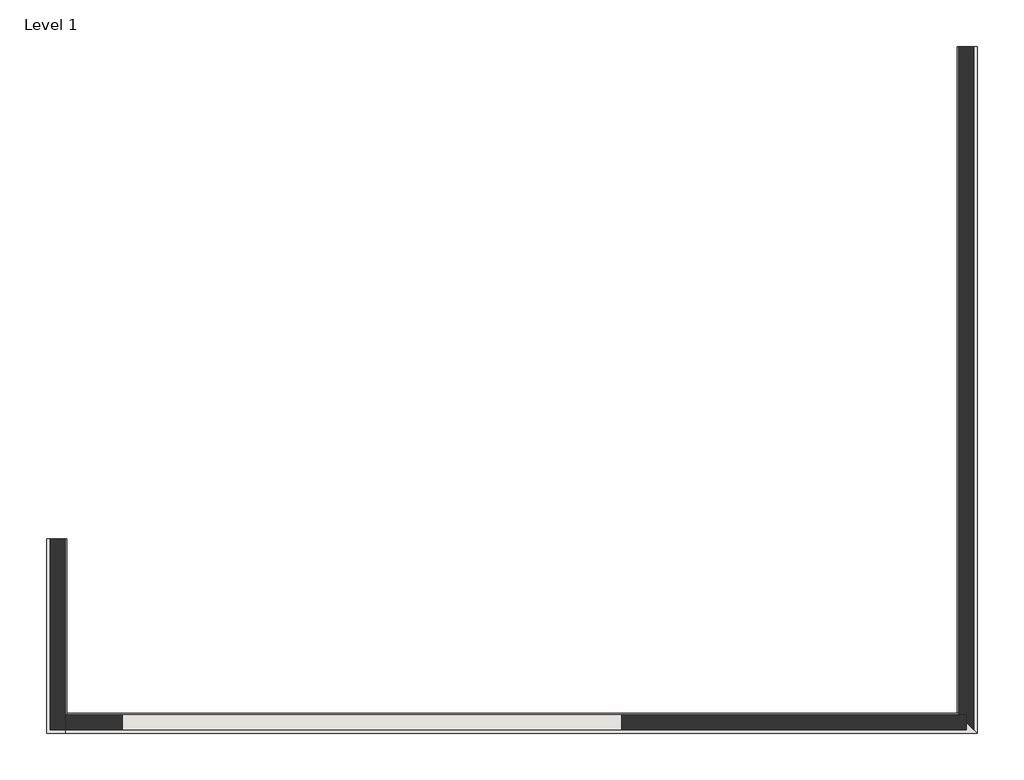
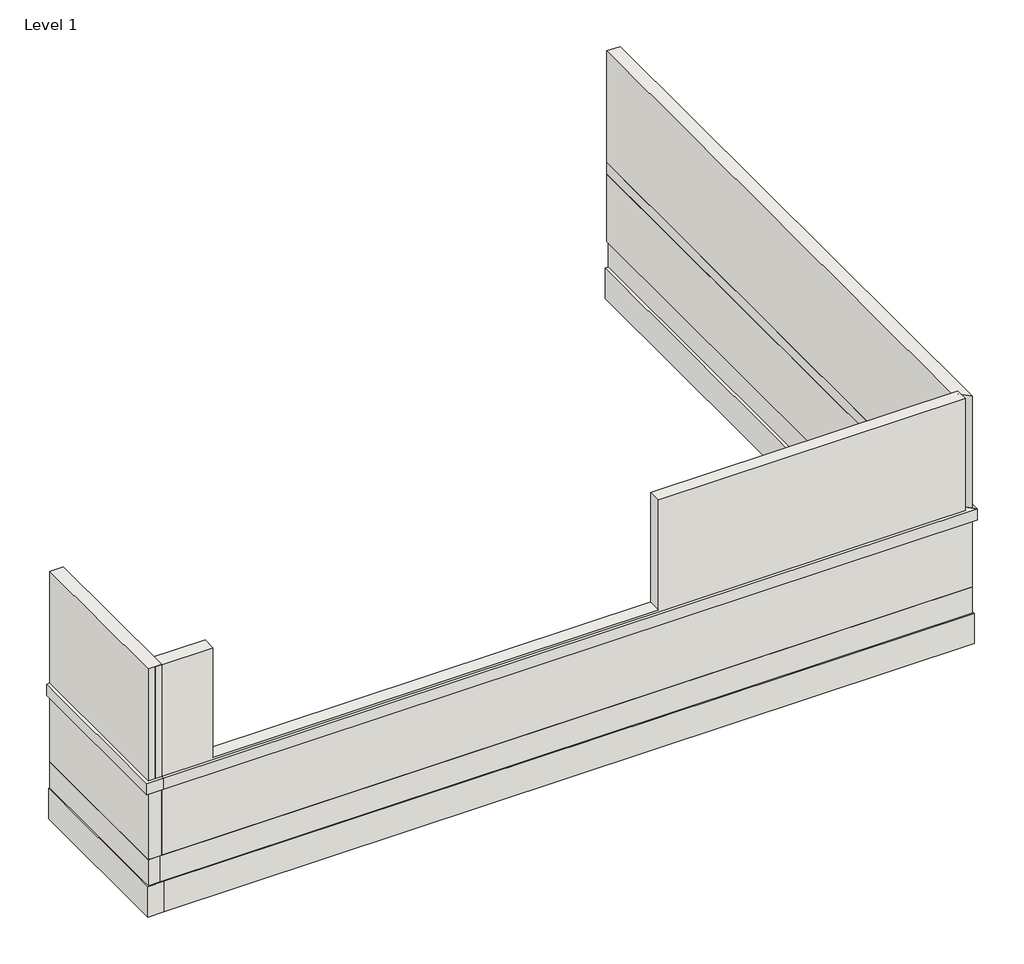
# One storey: 15 walls.
"""IFC4 building model written with IfcOpenShell, lengths in millimetres."""

from ifc_helpers import new_model, si_unit, frame, origin, place, context, project, spatial, polyline, outline, extrude, faceted_brep, element, save

model = new_model("IFC4")

# Units and contexts
model_context = context("Model", 3, world=origin())
ifc_project = project(units=[si_unit("LENGTHUNIT", "METRE", prefix="MILLI")], contexts=[model_context])

# Site, building, storey
site = spatial("IfcSite", under=ifc_project)
building = spatial("IfcBuilding", under=site)
storey = spatial("IfcBuildingStorey", under=building, Name="Level 1", Elevation=0.0)

# Walls
placement = place(None, origin())
element("IfcWall", 1, at=placement, inside=storey, context=model_context, shape_type="Brep", body=[
    faceted_brep([(1463.030888, 3031.4028314, 0.0), (1463.030888, 3156.4028314, 0.0), (1463.030888, 4631.4028314, 0.0), (1463.030888, 4631.4028314, 670.0), (1463.030888, 3156.4028314, 670.0), (1463.030888, 3031.4028314, 670.0), (1338.030888, 3031.4028314, 0.0), (1338.030888, 3031.4028314, 670.0), (1338.030888, 4631.4028314, 670.0), (1338.030888, 4631.4028314, 0.0), (1448.030888, 3031.4028314, 0.0), (1448.030888, 4631.4028314, 0.0)], [[[0, 1, 2, 3, 4, 5]], [[6, 7, 8, 9]], [[2, 1, 0, 10, 6, 9, 11]], [[3, 2, 11, 9, 8]], [[5, 4, 3, 8, 7]], [[0, 5, 7, 6, 10]]]),
])
element("IfcWall", 2, at=placement, inside=storey, context=model_context, shape_type="Brep", body=[
    faceted_brep([(1463.030888, 3001.4028314, 670.0), (1463.030888, 3031.4028314, 670.0), (1463.030888, 3156.4028314, 670.0), (1463.030888, 4631.4028314, 670.0), (1463.030888, 4631.4028314, 780.0), (1463.030888, 3156.4028314, 780.0), (1463.030888, 3031.4028314, 780.0), (1463.030888, 3001.4028314, 780.0), (1308.030888, 3001.4028314, 670.0), (1308.030888, 3001.4028314, 780.0), (1308.030888, 4631.4028314, 780.0), (1308.030888, 4631.4028314, 670.0), (1338.030888, 4631.4028314, 670.0), (1338.030888, 4631.4028314, 780.0)], [[[0, 1, 2, 3, 4, 5, 6, 7]], [[8, 9, 10, 11]], [[3, 2, 1, 0, 8, 11, 12]], [[4, 3, 12, 11, 10, 13]], [[7, 6, 5, 4, 13, 10, 9]], [[0, 7, 9, 8]]]),
])
element("IfcWall", 3, at=placement, inside=storey, context=model_context, shape_type="SweptSolid", body=[
    extrude(outline(polyline([(1463.030888, 4631.4028314), (1463.030888, 3031.4028314), (1338.030888, 3031.4028314), (1338.030888, 4631.4028314), (1463.030888, 4631.4028314)])), frame((0.0, 0.0, 780.0), z_axis=(0.0, 0.0, 1.0), x_axis=(1.0, 0.0, 0.0)), (0.0, 0.0, 1.0), 1110.0),
])
element("IfcWall", 4, at=placement, inside=storey, context=model_context, shape_type="Brep", body=[
    faceted_brep([(1448.030888, 3031.4028314, -260.0), (1448.030888, 3141.4028314, -260.0), (1448.030888, 4631.4028314, -260.0), (1448.030888, 4631.4028314, 0.0), (1448.030888, 3141.4028314, 0.0), (1448.030888, 3031.4028314, 0.0), (1338.030888, 3031.4028314, -260.0), (1338.030888, 3031.4028314, 0.0), (1338.030888, 4631.4028314, 0.0), (1338.030888, 4631.4028314, -260.0)], [[[0, 1, 2, 3, 4, 5]], [[6, 7, 8, 9]], [[2, 1, 0, 6, 9]], [[3, 2, 9, 8]], [[5, 4, 3, 8, 7]], [[0, 5, 7, 6]]]),
])
element("IfcWall", 5, at=placement, inside=storey, context=model_context, shape_type="Brep", body=[
    faceted_brep([(8955.8684012, 8751.9904604, -260.0), (8955.8684012, 3141.4028314, -260.0), (8955.8684012, 3141.4028314, 0.0), (8955.8684012, 8751.9904604, 0.0), (9065.8684012, 8751.9904604, -260.0), (9065.8684012, 8751.9904604, 0.0), (9065.8684012, 3156.4028314, 0.0), (9065.8684012, 3141.4028314, 0.0), (9065.8684012, 3141.4028314, -260.0)], [[[0, 1, 2, 3]], [[4, 5, 6, 7, 8]], [[1, 0, 4, 8]], [[3, 2, 7, 6, 5]], [[0, 3, 5, 4]], [[2, 1, 8, 7]]]),
])
element("IfcWall", 6, at=placement, inside=storey, context=model_context, shape_type="Brep", body=[
    faceted_brep([(8940.8684012, 8751.9904604, 0.0), (8940.8684012, 3156.4028314, 0.0), (8940.8684012, 3156.4028314, 670.0), (8940.8684012, 8751.9904604, 670.0), (9065.8684012, 8751.9904604, 0.0), (9065.8684012, 8751.9904604, 670.0), (9065.8684012, 3156.4028314, 670.0), (9065.8684012, 3156.4028314, 0.0), (8955.8684012, 8751.9904604, 0.0)], [[[0, 1, 2, 3]], [[4, 5, 6, 7]], [[1, 0, 8, 4, 7]], [[3, 2, 6, 5]], [[0, 3, 5, 4, 8]], [[2, 1, 7, 6]]]),
])
element("IfcWall", 7, at=placement, inside=storey, context=model_context, shape_type="Brep", body=[
    faceted_brep([(8940.8684012, 8751.9904604, 670.0), (8940.8684012, 3156.4028314, 670.0), (8940.8684012, 3156.4028314, 780.0), (8940.8684012, 8751.9904604, 780.0), (9095.8684012, 8751.9904604, 670.0), (9095.8684012, 8751.9904604, 780.0), (9095.8684012, 3001.4028314, 780.0), (9095.8684012, 3001.4028314, 670.0), (9065.8684012, 8751.9904604, 670.0), (9065.8684012, 3031.4028314, 780.0), (9065.8684012, 8751.9904604, 780.0)], [[[0, 1, 2, 3]], [[4, 5, 6, 7]], [[1, 0, 8, 4, 7]], [[3, 2, 9, 6, 5, 10]], [[0, 3, 10, 5, 4, 8]], [[2, 1, 7, 6, 9]]]),
])
element("IfcWall", 8, at=placement, inside=storey, context=model_context, shape_type="SweptSolid", body=[
    extrude(outline(polyline([(8940.8684012, 3156.4028314), (8940.8684012, 8751.9904604), (9065.8684012, 8751.9904604), (9065.8684012, 3031.4028314), (8940.8684012, 3156.4028314)])), frame((0.0, 0.0, 780.0), z_axis=(0.0, 0.0, 1.0), x_axis=(1.0, 0.0, 0.0)), (0.0, 0.0, 1.0), 1110.0),
])
element("IfcWall", 9, at=placement, inside=storey, context=model_context, shape_type="Brep", body=[
    faceted_brep([(1448.030888, 3031.4028314, -260.0), (9065.8684012, 3031.4028314, -260.0), (9065.8684012, 3031.4028314, 0.0), (1463.030888, 3031.4028314, 0.0), (1448.030888, 3031.4028314, 0.0), (1448.030888, 3141.4028314, -260.0), (1448.030888, 3141.4028314, 0.0), (8955.8684012, 3141.4028314, 0.0), (9065.8684012, 3141.4028314, 0.0), (9065.8684012, 3141.4028314, -260.0), (8955.8684012, 3141.4028314, -260.0)], [[[0, 1, 2, 3, 4]], [[5, 6, 7, 8, 9, 10]], [[1, 0, 5, 10, 9]], [[4, 3, 2, 8, 7, 6]], [[2, 1, 9, 8]], [[0, 4, 6, 5]]]),
])
element("IfcWall", 10, at=placement, inside=storey, context=model_context, shape_type="Brep", body=[
    faceted_brep([(1463.030888, 3031.4028314, 0.0), (9065.8684012, 3031.4028314, 0.0), (9065.8684012, 3031.4028314, 670.0), (1463.030888, 3031.4028314, 670.0), (1463.030888, 3156.4028314, 0.0), (1463.030888, 3156.4028314, 670.0), (8940.8684012, 3156.4028314, 670.0), (9065.8684012, 3156.4028314, 670.0), (9065.8684012, 3156.4028314, 0.0), (8940.8684012, 3156.4028314, 0.0), (9065.8684012, 3141.4028314, 0.0)], [[[0, 1, 2, 3]], [[4, 5, 6, 7, 8, 9]], [[1, 0, 4, 9, 8, 10]], [[3, 2, 7, 6, 5]], [[2, 1, 10, 8, 7]], [[0, 3, 5, 4]]]),
])
element("IfcWall", 11, at=placement, inside=storey, context=model_context, shape_type="Brep", body=[
    faceted_brep([(1463.030888, 3001.4028314, 670.0), (9095.8684012, 3001.4028314, 670.0), (9095.8684012, 3001.4028314, 780.0), (1463.030888, 3001.4028314, 780.0), (1463.030888, 3156.4028314, 670.0), (1463.030888, 3156.4028314, 780.0), (8940.8684012, 3156.4028314, 780.0), (8940.8684012, 3156.4028314, 670.0), (1463.030888, 3031.4028314, 670.0)], [[[0, 1, 2, 3]], [[4, 5, 6, 7]], [[1, 0, 8, 4, 7]], [[3, 2, 6, 5]], [[0, 3, 5, 4, 8]], [[2, 1, 7, 6]]]),
])
element("IfcWall", 12, at=placement, inside=storey, context=model_context, shape_type="Brep", body=[
    faceted_brep([(1403.030888, 3031.4028314, 780.0), (9000.8684012, 3031.4028314, 780.0), (9000.8684012, 3031.4028314, 1890.0), (6120.8684012, 3031.4028314, 1890.0), (6120.8684012, 3031.4028314, 803.5951876), (1943.030888, 3031.4028314, 803.5951876), (1943.030888, 3031.4028314, 1890.0), (1403.030888, 3031.4028314, 1890.0), (6120.8684012, 3156.4028314, 1890.0), (9000.8684012, 3156.4028314, 1890.0), (9000.8684012, 3156.4028314, 780.0), (8940.8684012, 3156.4028314, 780.0), (1463.030888, 3156.4028314, 780.0), (1403.030888, 3156.4028314, 780.0), (1403.030888, 3156.4028314, 1890.0), (1943.030888, 3156.4028314, 1890.0), (1943.030888, 3156.4028314, 803.5951876), (6120.8684012, 3156.4028314, 803.5951876)], [[[0, 1, 2, 3, 4, 5, 6, 7]], [[8, 9, 10, 11, 12, 13, 14, 15, 16, 17]], [[1, 0, 13, 12, 11, 10]], [[3, 2, 9, 8]], [[7, 6, 15, 14]], [[2, 1, 10, 9]], [[17, 4, 3, 8]], [[4, 17, 16, 5]], [[5, 16, 15, 6]], [[0, 7, 14, 13]]]),
])
element("IfcWall", 13, ObjectType="Foundation - 150mm Concrete", at=placement, inside=storey, context=model_context, shape_type="Brep", body=[
    faceted_brep([(1478.030888, 3021.4028314, -560.0), (1478.030888, 3171.4028314, -560.0), (1478.030888, 4631.4028314, -560.0), (1478.030888, 4631.4028314, -260.0), (1478.030888, 3171.4028314, -260.0), (1478.030888, 3021.4028314, -260.0), (1328.030888, 3021.4028314, -560.0), (1328.030888, 3021.4028314, -260.0), (1328.030888, 4631.4028314, -260.0), (1328.030888, 4631.4028314, -560.0), (1338.030888, 4631.4028314, -260.0), (1448.030888, 4631.4028314, -260.0)], [[[0, 1, 2, 3, 4, 5]], [[6, 7, 8, 9]], [[2, 1, 0, 6, 9]], [[3, 2, 9, 8, 10, 11]], [[5, 4, 3, 11, 10, 8, 7]], [[0, 5, 7, 6]]]),
])
element("IfcWall", 14, ObjectType="Foundation - 150mm Concrete", at=placement, inside=storey, context=model_context, shape_type="Brep", body=[
    faceted_brep([(8925.8684012, 8751.9904604, -560.0), (8925.8684012, 3171.4028314, -560.0), (8925.8684012, 3171.4028314, -260.0), (8925.8684012, 8751.9904604, -260.0), (9075.8684012, 8751.9904604, -560.0), (9075.8684012, 8751.9904604, -260.0), (9075.8684012, 3171.4028314, -260.0), (9075.8684012, 3171.4028314, -560.0), (9065.8684012, 8751.9904604, -260.0), (8955.8684012, 8751.9904604, -260.0)], [[[0, 1, 2, 3]], [[4, 5, 6, 7]], [[1, 0, 4, 7]], [[3, 2, 6, 5, 8, 9]], [[0, 3, 9, 8, 5, 4]], [[2, 1, 7, 6]]]),
])
element("IfcWall", 15, ObjectType="Foundation - 150mm Concrete", at=placement, inside=storey, context=model_context, shape_type="Brep", body=[
    faceted_brep([(1478.030888, 3021.4028314, -560.0), (9075.8684012, 3021.4028314, -560.0), (9075.8684012, 3021.4028314, -260.0), (1478.030888, 3021.4028314, -260.0), (1478.030888, 3171.4028314, -560.0), (1478.030888, 3171.4028314, -260.0), (8925.8684012, 3171.4028314, -260.0), (9075.8684012, 3171.4028314, -260.0), (9075.8684012, 3171.4028314, -560.0), (8925.8684012, 3171.4028314, -560.0)], [[[0, 1, 2, 3]], [[4, 5, 6, 7, 8, 9]], [[1, 0, 4, 9, 8]], [[3, 2, 7, 6, 5]], [[2, 1, 8, 7]], [[0, 3, 5, 4]]]),
])

save(model, "model.ifc")
